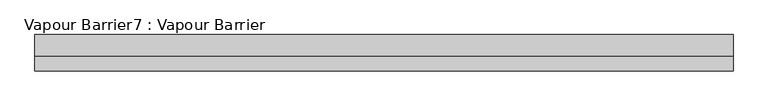
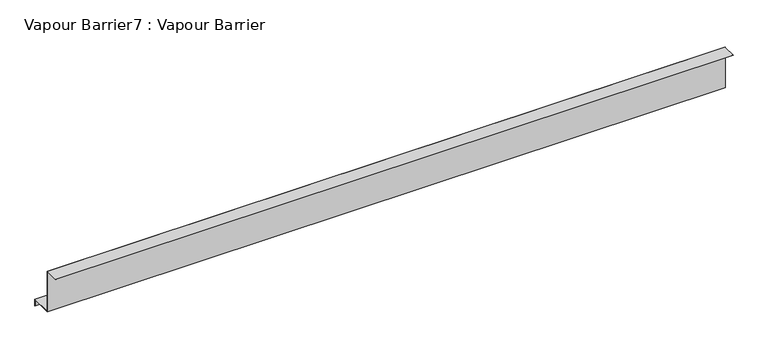
"""IFC4 building model written with IfcOpenShell, lengths in millimetres: proxy geometry, Vapour Barrier7 : Vapour Barrier."""

import ifcopenshell
import ifcopenshell.guid

model = None  # the IFC model being written
_history = None  # IfcOwnerHistory: only IFC2X3 demands one
_inside = {}  # id of a spatial element -> (the spatial element, [elements in it])
_under = {}  # id of a project, library or spatial element -> (it, [spatial elements below it])
_declared = {}  # id of a project -> (the project, [libraries it declares])
_typed = {}  # id of a type object -> (the type object, [elements of that type])
_made_of = {}  # id of a material, layer set ... -> (it, [elements and type objects made of it])


def new_model(schema):
    """Start an empty IFC model of exactly this schema.

    Asked for "IFC4X3", IfcOpenShell would pick the latest addendum, in which some entities
    have other attributes; the version numbers below select the first issue.
    IFC2X3 requires an IfcOwnerHistory on every rooted entity: one is made here for all.
    """
    global model, _history
    if schema == "IFC4X3":
        model = ifcopenshell.file(schema_version=(4, 3, 0, 0))
    else:
        model = ifcopenshell.file(schema=schema)
    _inside.clear()
    _under.clear()
    _declared.clear()
    _typed.clear()
    _made_of.clear()
    _history = None
    if model.schema == "IFC2X3":
        org = make("IfcOrganization", Name="unknown")
        user = make(
            "IfcPersonAndOrganization",
            ThePerson=make("IfcPerson", FamilyName="unknown"),
            TheOrganization=org,
        )
        app = make(
            "IfcApplication",
            ApplicationDeveloper=org,
            Version="unknown",
            ApplicationFullName="unknown",
            ApplicationIdentifier="unknown",
        )
        _history = make(
            "IfcOwnerHistory",
            OwningUser=user,
            OwningApplication=app,
            ChangeAction="ADDED",
            CreationDate=0,
        )
    return model


def make(cls, **values):
    """One entity of the class cls with the attributes given. An attribute that is None is left unset."""
    return model.create_entity(
        cls, **{name: value for name, value in values.items() if value is not None}
    )


def rooted(cls, **values):
    """An entity with a GlobalId (a new one), such as an element, a storey or a relation."""
    return make(cls, GlobalId=ifcopenshell.guid.new(), OwnerHistory=_history, **values)


def si_unit(unit_type, name, prefix=None):
    """IfcSIUnit, for example si_unit("LENGTHUNIT", "METRE", prefix="MILLI")."""
    return make("IfcSIUnit", UnitType=unit_type, Prefix=prefix, Name=name)


def assignment(units):
    """IfcUnitAssignment: the units of a project."""
    return None if units is None else make("IfcUnitAssignment", Units=units)


def point(xyz):
    """IfcCartesianPoint."""
    return None if xyz is None else make("IfcCartesianPoint", Coordinates=xyz)


def direction(xyz):
    """IfcDirection."""
    return None if xyz is None else make("IfcDirection", DirectionRatios=xyz)


def frame(location, z_axis=None, x_axis=None):
    """IfcAxis2Placement3D, a coordinate frame: its origin and axes. An axis left out is left unset."""
    return make(
        "IfcAxis2Placement3D",
        Location=point(location),
        Axis=direction(z_axis),
        RefDirection=direction(x_axis),
    )


def origin():
    """The frame at (0, 0, 0) with its axes left unset."""
    return frame((0.0, 0.0, 0.0))


def place(relative_to, where):
    """IfcLocalPlacement: puts the frame where relative to a parent placement (None: the world)."""
    return make(
        "IfcLocalPlacement", PlacementRelTo=relative_to, RelativePlacement=where
    )


def context(
    kind, dimensions, precision=None, world=None, true_north=None, identifier=None
):
    """IfcGeometricRepresentationContext, for example the 3D "Model" context."""
    return make(
        "IfcGeometricRepresentationContext",
        ContextIdentifier=identifier,
        ContextType=kind,
        CoordinateSpaceDimension=dimensions,
        Precision=precision,
        WorldCoordinateSystem=world,
        TrueNorth=true_north,
    )


def project(units=None, contexts=None):
    """IfcProject with its units and contexts."""
    return rooted(
        "IfcProject",
        Name="project",
        RepresentationContexts=contexts,
        UnitsInContext=assignment(units),
    )


def spatial(cls, under=None, at=None, **own):
    """A site, building, storey or space (cls), placed at a placement, below another one or the project."""
    s = rooted(cls, ObjectPlacement=at, **own)
    if under is not None:
        _under.setdefault(under.id(), (under, []))[1].append(s)
    return s


def polyline(points):
    """IfcPolyline through the points."""
    return make("IfcPolyline", Points=[point(p) for p in points])


def outline(outer, holes=None, kind="AREA"):
    """IfcArbitraryClosedProfileDef: a profile drawn as a closed curve; with holes, ...WithVoids."""
    if holes is None:
        return make("IfcArbitraryClosedProfileDef", ProfileType=kind, OuterCurve=outer)
    return make(
        "IfcArbitraryProfileDefWithVoids",
        ProfileType=kind,
        OuterCurve=outer,
        InnerCurves=holes,
    )


def extrude(swept, where, along, depth):
    """IfcExtrudedAreaSolid: the profile swept, set in the frame where, extruded along a direction by depth."""
    return make(
        "IfcExtrudedAreaSolid",
        SweptArea=swept,
        Position=where,
        ExtrudedDirection=direction(along),
        Depth=depth,
    )


def shape(context_of_items, identifier, shape_type, items):
    """IfcShapeRepresentation: the items that make up one representation, for example the "Body"."""
    return make(
        "IfcShapeRepresentation",
        ContextOfItems=context_of_items,
        RepresentationIdentifier=identifier,
        RepresentationType=shape_type,
        Items=items,
    )


def source(mapping_origin, context_of_items, identifier, shape_type, items):
    """IfcRepresentationMap: a shape defined once, which mapped items show again and again."""
    return make(
        "IfcRepresentationMap",
        MappingOrigin=mapping_origin,
        MappedRepresentation=shape(context_of_items, identifier, shape_type, items),
    )


def transform(
    local_origin,
    x_axis=None,
    y_axis=None,
    z_axis=None,
    scale=None,
    scale2=None,
    scale3=None,
    uniform=True,
):
    """IfcCartesianTransformationOperator3D, or its non-uniform kind. x_axis, y_axis, z_axis: its Axis1, 2, 3."""
    if uniform:
        return make(
            "IfcCartesianTransformationOperator3D",
            Axis1=direction(x_axis),
            Axis2=direction(y_axis),
            LocalOrigin=point(local_origin),
            Scale=scale,
            Axis3=direction(z_axis),
        )
    return make(
        "IfcCartesianTransformationOperator3DnonUniform",
        Axis1=direction(x_axis),
        Axis2=direction(y_axis),
        LocalOrigin=point(local_origin),
        Scale=scale,
        Axis3=direction(z_axis),
        Scale2=scale2,
        Scale3=scale3,
    )


def mapped(mapping_source, mapping_target):
    """IfcMappedItem: shows the shape of a source again, moved by a transform."""
    return make(
        "IfcMappedItem", MappingSource=mapping_source, MappingTarget=mapping_target
    )


def made_of(thing, what):
    """Note that an element or type object is made of a material, layer set ...; save() writes the relation."""
    if what is not None:
        _made_of.setdefault(what.id(), (what, []))[1].append(thing)
    return thing


def element(
    cls,
    number,
    at=None,
    inside=None,
    cuts=None,
    type_object=None,
    material=None,
    context=None,
    identifier="Body",
    shape_type=None,
    held_by="IfcProductDefinitionShape",
    body=None,
    shapes=None,
    **own,
):
    """One element of the class cls, such as IfcWall. Its Tag is "e" and its number.

    at: its placement. inside: the storey or other place that contains it. cuts: it is an
    opening in that element (IfcRelVoidsElement). A single representation is given by context,
    identifier, shape_type and body (its items); several are given by shapes. held_by: the class
    of the entity that holds the representations. save() writes the other relations.
    """
    e = rooted(cls, Tag="e%d" % number, ObjectPlacement=at, **own)
    if body is not None:
        shapes = [shape(context, identifier, shape_type, body)]
    if shapes is not None:
        e.Representation = make(held_by, Representations=shapes)
    if inside is not None:
        _inside.setdefault(inside.id(), (inside, []))[1].append(e)
    if cuts is not None:
        rooted(
            "IfcRelVoidsElement", RelatingBuildingElement=cuts, RelatedOpeningElement=e
        )
    if type_object is not None:
        _typed.setdefault(type_object.id(), (type_object, []))[1].append(e)
    return made_of(e, material)


def aggregate(whole, parts):
    """IfcRelAggregates: a whole, such as a stair, and the parts it consists of."""
    return rooted("IfcRelAggregates", RelatingObject=whole, RelatedObjects=parts)


def save(model, path):
    """Write the relations noted so far, then the file.

    IfcRelAggregates (storeys below a building ...), IfcRelContainedInSpatialStructure (elements
    in a storey), IfcRelDefinesByType, IfcRelAssociatesMaterial and IfcRelDeclares: one each for
    every whole, place, type object, material and project.
    """
    for whole, parts in _under.values():
        aggregate(whole, parts)
    for where, things in _inside.values():
        rooted(
            "IfcRelContainedInSpatialStructure",
            RelatedElements=things,
            RelatingStructure=where,
        )
    for kind, things in _typed.values():
        rooted("IfcRelDefinesByType", RelatedObjects=things, RelatingType=kind)
    for what, things in _made_of.values():
        rooted("IfcRelAssociatesMaterial", RelatedObjects=things, RelatingMaterial=what)
    for by, libraries in _declared.values():
        rooted("IfcRelDeclares", RelatingContext=by, RelatedDefinitions=libraries)
    model.write(path)


def vapour_barrier7_vapour_barrier_5331d3ef(model_context):
    return source(origin(), model_context, "Body", "SweptSolid", [
        extrude(outline(polyline([(-32677.4913223, 1577.2848541), (-32677.4913223, 1425.8881858), (-32602.1455801, 1425.8881858), (-32602.1455801, 1401.6394721), (-32603.1455801, 1401.6394721), (-32603.1455801, 1424.8881858), (-32678.4913223, 1424.8881858), (-32678.4913223, 1576.2848541), (-32727.4913223, 1576.2848541), (-32727.4913223, 1577.2848541), (-32677.4913223, 1577.2848541)])), frame((9687.2859108, 0.0, 0.0), z_axis=(1.0, 0.0, 0.0), x_axis=(0.0, 1.0, 0.0)), (0.0, 0.0, 1.0), 2412.7200833),
    ])


if __name__ == "__main__":
    model = new_model("IFC4")
    model_context = context("Model", 3, world=origin())
    ifc_project = project(units=[si_unit("LENGTHUNIT", "METRE", prefix="MILLI")], contexts=[model_context])
    site = spatial("IfcSite", under=ifc_project)
    building = spatial("IfcBuilding", under=site)
    placement = place(None, origin())
    vapour_barrier7_vapour_barrier_shape = vapour_barrier7_vapour_barrier_5331d3ef(model_context)
    element("IfcBuildingElementProxy", 1, Name="Vapour Barrier7 : Vapour Barrier", ObjectType="Vapour Barrier7 : Vapour Barrier", at=placement, inside=building, context=model_context, shape_type="MappedRepresentation", body=[
        mapped(vapour_barrier7_vapour_barrier_shape, transform((0.0, 0.0, 0.0), x_axis=(1.0, 0.0, 0.0), y_axis=(0.0, 1.0, 0.0), z_axis=(0.0, 0.0, 1.0))),
    ])
    save(model, "model.ifc")
